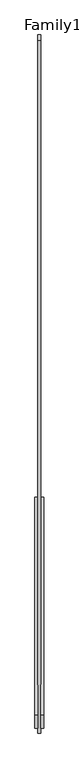
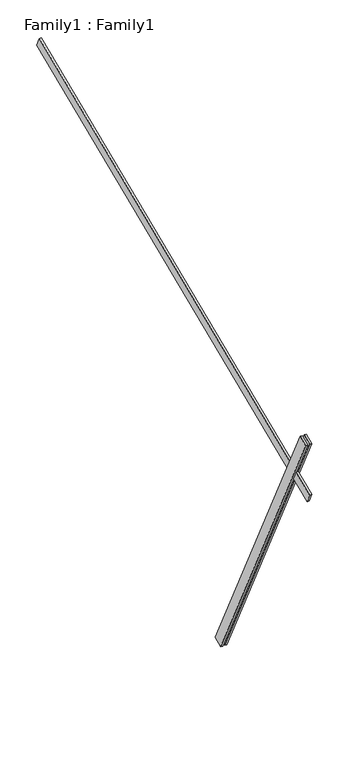
"""IFC4 building model written with IfcOpenShell, lengths in millimetres: proxy geometry, Family1 : Family1."""

import ifcopenshell
import ifcopenshell.guid

model = None  # the IFC model being written
_history = None  # IfcOwnerHistory: only IFC2X3 demands one
_inside = {}  # id of a spatial element -> (the spatial element, [elements in it])
_under = {}  # id of a project, library or spatial element -> (it, [spatial elements below it])
_declared = {}  # id of a project -> (the project, [libraries it declares])
_typed = {}  # id of a type object -> (the type object, [elements of that type])
_made_of = {}  # id of a material, layer set ... -> (it, [elements and type objects made of it])


def new_model(schema):
    """Start an empty IFC model of exactly this schema.

    Asked for "IFC4X3", IfcOpenShell would pick the latest addendum, in which some entities
    have other attributes; the version numbers below select the first issue.
    IFC2X3 requires an IfcOwnerHistory on every rooted entity: one is made here for all.
    """
    global model, _history
    if schema == "IFC4X3":
        model = ifcopenshell.file(schema_version=(4, 3, 0, 0))
    else:
        model = ifcopenshell.file(schema=schema)
    _inside.clear()
    _under.clear()
    _declared.clear()
    _typed.clear()
    _made_of.clear()
    _history = None
    if model.schema == "IFC2X3":
        org = make("IfcOrganization", Name="unknown")
        user = make(
            "IfcPersonAndOrganization",
            ThePerson=make("IfcPerson", FamilyName="unknown"),
            TheOrganization=org,
        )
        app = make(
            "IfcApplication",
            ApplicationDeveloper=org,
            Version="unknown",
            ApplicationFullName="unknown",
            ApplicationIdentifier="unknown",
        )
        _history = make(
            "IfcOwnerHistory",
            OwningUser=user,
            OwningApplication=app,
            ChangeAction="ADDED",
            CreationDate=0,
        )
    return model


def make(cls, **values):
    """One entity of the class cls with the attributes given. An attribute that is None is left unset."""
    return model.create_entity(
        cls, **{name: value for name, value in values.items() if value is not None}
    )


def rooted(cls, **values):
    """An entity with a GlobalId (a new one), such as an element, a storey or a relation."""
    return make(cls, GlobalId=ifcopenshell.guid.new(), OwnerHistory=_history, **values)


def si_unit(unit_type, name, prefix=None):
    """IfcSIUnit, for example si_unit("LENGTHUNIT", "METRE", prefix="MILLI")."""
    return make("IfcSIUnit", UnitType=unit_type, Prefix=prefix, Name=name)


def assignment(units):
    """IfcUnitAssignment: the units of a project."""
    return None if units is None else make("IfcUnitAssignment", Units=units)


def point(xyz):
    """IfcCartesianPoint."""
    return None if xyz is None else make("IfcCartesianPoint", Coordinates=xyz)


def direction(xyz):
    """IfcDirection."""
    return None if xyz is None else make("IfcDirection", DirectionRatios=xyz)


def frame(location, z_axis=None, x_axis=None):
    """IfcAxis2Placement3D, a coordinate frame: its origin and axes. An axis left out is left unset."""
    return make(
        "IfcAxis2Placement3D",
        Location=point(location),
        Axis=direction(z_axis),
        RefDirection=direction(x_axis),
    )


def origin():
    """The frame at (0, 0, 0) with its axes left unset."""
    return frame((0.0, 0.0, 0.0))


def place(relative_to, where):
    """IfcLocalPlacement: puts the frame where relative to a parent placement (None: the world)."""
    return make(
        "IfcLocalPlacement", PlacementRelTo=relative_to, RelativePlacement=where
    )


def context(
    kind, dimensions, precision=None, world=None, true_north=None, identifier=None
):
    """IfcGeometricRepresentationContext, for example the 3D "Model" context."""
    return make(
        "IfcGeometricRepresentationContext",
        ContextIdentifier=identifier,
        ContextType=kind,
        CoordinateSpaceDimension=dimensions,
        Precision=precision,
        WorldCoordinateSystem=world,
        TrueNorth=true_north,
    )


def project(units=None, contexts=None):
    """IfcProject with its units and contexts."""
    return rooted(
        "IfcProject",
        Name="project",
        RepresentationContexts=contexts,
        UnitsInContext=assignment(units),
    )


def spatial(cls, under=None, at=None, **own):
    """A site, building, storey or space (cls), placed at a placement, below another one or the project."""
    s = rooted(cls, ObjectPlacement=at, **own)
    if under is not None:
        _under.setdefault(under.id(), (under, []))[1].append(s)
    return s


def polyline(points):
    """IfcPolyline through the points."""
    return make("IfcPolyline", Points=[point(p) for p in points])


def outline(outer, holes=None, kind="AREA"):
    """IfcArbitraryClosedProfileDef: a profile drawn as a closed curve; with holes, ...WithVoids."""
    if holes is None:
        return make("IfcArbitraryClosedProfileDef", ProfileType=kind, OuterCurve=outer)
    return make(
        "IfcArbitraryProfileDefWithVoids",
        ProfileType=kind,
        OuterCurve=outer,
        InnerCurves=holes,
    )


def extrude(swept, where, along, depth):
    """IfcExtrudedAreaSolid: the profile swept, set in the frame where, extruded along a direction by depth."""
    return make(
        "IfcExtrudedAreaSolid",
        SweptArea=swept,
        Position=where,
        ExtrudedDirection=direction(along),
        Depth=depth,
    )


def shape(context_of_items, identifier, shape_type, items):
    """IfcShapeRepresentation: the items that make up one representation, for example the "Body"."""
    return make(
        "IfcShapeRepresentation",
        ContextOfItems=context_of_items,
        RepresentationIdentifier=identifier,
        RepresentationType=shape_type,
        Items=items,
    )


def source(mapping_origin, context_of_items, identifier, shape_type, items):
    """IfcRepresentationMap: a shape defined once, which mapped items show again and again."""
    return make(
        "IfcRepresentationMap",
        MappingOrigin=mapping_origin,
        MappedRepresentation=shape(context_of_items, identifier, shape_type, items),
    )


def transform(
    local_origin,
    x_axis=None,
    y_axis=None,
    z_axis=None,
    scale=None,
    scale2=None,
    scale3=None,
    uniform=True,
):
    """IfcCartesianTransformationOperator3D, or its non-uniform kind. x_axis, y_axis, z_axis: its Axis1, 2, 3."""
    if uniform:
        return make(
            "IfcCartesianTransformationOperator3D",
            Axis1=direction(x_axis),
            Axis2=direction(y_axis),
            LocalOrigin=point(local_origin),
            Scale=scale,
            Axis3=direction(z_axis),
        )
    return make(
        "IfcCartesianTransformationOperator3DnonUniform",
        Axis1=direction(x_axis),
        Axis2=direction(y_axis),
        LocalOrigin=point(local_origin),
        Scale=scale,
        Axis3=direction(z_axis),
        Scale2=scale2,
        Scale3=scale3,
    )


def mapped(mapping_source, mapping_target):
    """IfcMappedItem: shows the shape of a source again, moved by a transform."""
    return make(
        "IfcMappedItem", MappingSource=mapping_source, MappingTarget=mapping_target
    )


def made_of(thing, what):
    """Note that an element or type object is made of a material, layer set ...; save() writes the relation."""
    if what is not None:
        _made_of.setdefault(what.id(), (what, []))[1].append(thing)
    return thing


def element(
    cls,
    number,
    at=None,
    inside=None,
    cuts=None,
    type_object=None,
    material=None,
    context=None,
    identifier="Body",
    shape_type=None,
    held_by="IfcProductDefinitionShape",
    body=None,
    shapes=None,
    **own,
):
    """One element of the class cls, such as IfcWall. Its Tag is "e" and its number.

    at: its placement. inside: the storey or other place that contains it. cuts: it is an
    opening in that element (IfcRelVoidsElement). A single representation is given by context,
    identifier, shape_type and body (its items); several are given by shapes. held_by: the class
    of the entity that holds the representations. save() writes the other relations.
    """
    e = rooted(cls, Tag="e%d" % number, ObjectPlacement=at, **own)
    if body is not None:
        shapes = [shape(context, identifier, shape_type, body)]
    if shapes is not None:
        e.Representation = make(held_by, Representations=shapes)
    if inside is not None:
        _inside.setdefault(inside.id(), (inside, []))[1].append(e)
    if cuts is not None:
        rooted(
            "IfcRelVoidsElement", RelatingBuildingElement=cuts, RelatedOpeningElement=e
        )
    if type_object is not None:
        _typed.setdefault(type_object.id(), (type_object, []))[1].append(e)
    return made_of(e, material)


def aggregate(whole, parts):
    """IfcRelAggregates: a whole, such as a stair, and the parts it consists of."""
    return rooted("IfcRelAggregates", RelatingObject=whole, RelatedObjects=parts)


def save(model, path):
    """Write the relations noted so far, then the file.

    IfcRelAggregates (storeys below a building ...), IfcRelContainedInSpatialStructure (elements
    in a storey), IfcRelDefinesByType, IfcRelAssociatesMaterial and IfcRelDeclares: one each for
    every whole, place, type object, material and project.
    """
    for whole, parts in _under.values():
        aggregate(whole, parts)
    for where, things in _inside.values():
        rooted(
            "IfcRelContainedInSpatialStructure",
            RelatedElements=things,
            RelatingStructure=where,
        )
    for kind, things in _typed.values():
        rooted("IfcRelDefinesByType", RelatedObjects=things, RelatingType=kind)
    for what, things in _made_of.values():
        rooted("IfcRelAssociatesMaterial", RelatedObjects=things, RelatingMaterial=what)
    for by, libraries in _declared.values():
        rooted("IfcRelDeclares", RelatingContext=by, RelatedDefinitions=libraries)
    model.write(path)


def family1_family1_27587d6e(model_context):
    return source(origin(), model_context, "Body", "SweptSolid", [
        extrude(outline(polyline([(0.0, 0.0), (-100.0000001, 0.0), (-100.0000001, 20.0), (0.0, 20.0), (0.0, 0.0)])), frame((-30.0, -46.3241747, -22.5938096), z_axis=(0.0, -0.4383711467890692, 0.8987940462991711), x_axis=(0.0, -0.8987940462991711, -0.4383711467890692)), (0.0, 0.0, 1.0), 3300.0),
        extrude(outline(polyline([(0.0, 0.0), (-99.9999999, 0.0), (-99.9999999, 20.0), (0.0, 20.0), (0.0, 0.0)])), frame((10.0, -45.270232, -22.0797674), z_axis=(0.0, -0.4383711467890692, 0.8987940462991711), x_axis=(0.0, -0.8987940462991711, -0.4383711467890692)), (0.0, 0.0, 1.0), 3300.0),
        extrude(outline(polyline([(0.0, 20.0), (5000.0000001, 20.0), (5000.0000001, 0.0), (0.0, 0.0), (0.0, 20.0)])), frame((-10.0, 3116.8707374, 4306.3554777), z_axis=(0.0, -0.3907311284892759, 0.9205048534524396), x_axis=(0.0, -0.9205048534524396, -0.3907311284892759)), (0.0, 0.0, 1.0), 100.0),
    ])


if __name__ == "__main__":
    model = new_model("IFC4")
    model_context = context("Model", 3, world=origin())
    ifc_project = project(units=[si_unit("LENGTHUNIT", "METRE", prefix="MILLI")], contexts=[model_context])
    site = spatial("IfcSite", under=ifc_project)
    building = spatial("IfcBuilding", under=site)
    placement = place(None, origin())
    family1_family1_shape = family1_family1_27587d6e(model_context)
    element("IfcBuildingElementProxy", 1, Name="Family1 : Family1", ObjectType="Family1 : Family1", at=placement, inside=building, context=model_context, shape_type="MappedRepresentation", body=[
        mapped(family1_family1_shape, transform((0.0, 0.0, 0.0), x_axis=(1.0, 0.0, 0.0), y_axis=(0.0, 1.0, 0.0), z_axis=(0.0, 0.0, 1.0))),
    ])
    save(model, "model.ifc")
